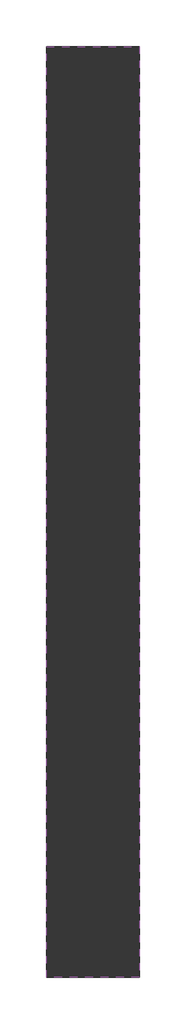
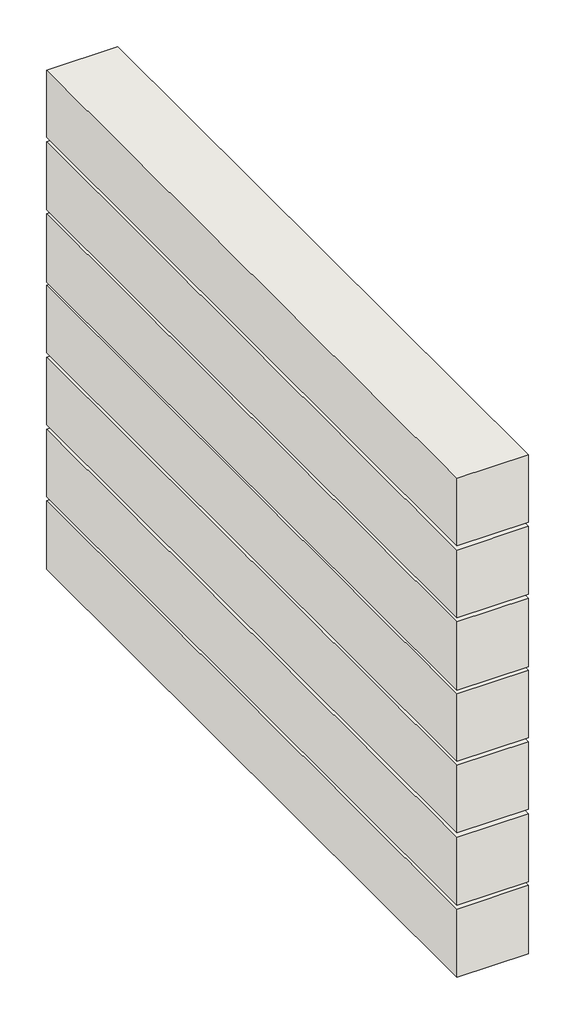
# One storey: 7 walls.
"""IFC4 building model written with IfcOpenShell, lengths in millimetres."""

import ifcopenshell
import ifcopenshell.guid

model = None  # the IFC model being written
_history = None  # IfcOwnerHistory: only IFC2X3 demands one
_inside = {}  # id of a spatial element -> (the spatial element, [elements in it])
_under = {}  # id of a project, library or spatial element -> (it, [spatial elements below it])
_declared = {}  # id of a project -> (the project, [libraries it declares])
_typed = {}  # id of a type object -> (the type object, [elements of that type])
_made_of = {}  # id of a material, layer set ... -> (it, [elements and type objects made of it])


def new_model(schema):
    """Start an empty IFC model of exactly this schema.

    Asked for "IFC4X3", IfcOpenShell would pick the latest addendum, in which some entities
    have other attributes; the version numbers below select the first issue.
    IFC2X3 requires an IfcOwnerHistory on every rooted entity: one is made here for all.
    """
    global model, _history
    if schema == "IFC4X3":
        model = ifcopenshell.file(schema_version=(4, 3, 0, 0))
    else:
        model = ifcopenshell.file(schema=schema)
    _inside.clear()
    _under.clear()
    _declared.clear()
    _typed.clear()
    _made_of.clear()
    _history = None
    if model.schema == "IFC2X3":
        org = make("IfcOrganization", Name="unknown")
        user = make(
            "IfcPersonAndOrganization",
            ThePerson=make("IfcPerson", FamilyName="unknown"),
            TheOrganization=org,
        )
        app = make(
            "IfcApplication",
            ApplicationDeveloper=org,
            Version="unknown",
            ApplicationFullName="unknown",
            ApplicationIdentifier="unknown",
        )
        _history = make(
            "IfcOwnerHistory",
            OwningUser=user,
            OwningApplication=app,
            ChangeAction="ADDED",
            CreationDate=0,
        )
    return model


def make(cls, **values):
    """One entity of the class cls with the attributes given. An attribute that is None is left unset."""
    return model.create_entity(
        cls, **{name: value for name, value in values.items() if value is not None}
    )


def rooted(cls, **values):
    """An entity with a GlobalId (a new one), such as an element, a storey or a relation."""
    return make(cls, GlobalId=ifcopenshell.guid.new(), OwnerHistory=_history, **values)


def si_unit(unit_type, name, prefix=None):
    """IfcSIUnit, for example si_unit("LENGTHUNIT", "METRE", prefix="MILLI")."""
    return make("IfcSIUnit", UnitType=unit_type, Prefix=prefix, Name=name)


def assignment(units):
    """IfcUnitAssignment: the units of a project."""
    return None if units is None else make("IfcUnitAssignment", Units=units)


def point(xyz):
    """IfcCartesianPoint."""
    return None if xyz is None else make("IfcCartesianPoint", Coordinates=xyz)


def direction(xyz):
    """IfcDirection."""
    return None if xyz is None else make("IfcDirection", DirectionRatios=xyz)


def frame(location, z_axis=None, x_axis=None):
    """IfcAxis2Placement3D, a coordinate frame: its origin and axes. An axis left out is left unset."""
    return make(
        "IfcAxis2Placement3D",
        Location=point(location),
        Axis=direction(z_axis),
        RefDirection=direction(x_axis),
    )


def origin():
    """The frame at (0, 0, 0) with its axes left unset."""
    return frame((0.0, 0.0, 0.0))


def place(relative_to, where):
    """IfcLocalPlacement: puts the frame where relative to a parent placement (None: the world)."""
    return make(
        "IfcLocalPlacement", PlacementRelTo=relative_to, RelativePlacement=where
    )


def context(
    kind, dimensions, precision=None, world=None, true_north=None, identifier=None
):
    """IfcGeometricRepresentationContext, for example the 3D "Model" context."""
    return make(
        "IfcGeometricRepresentationContext",
        ContextIdentifier=identifier,
        ContextType=kind,
        CoordinateSpaceDimension=dimensions,
        Precision=precision,
        WorldCoordinateSystem=world,
        TrueNorth=true_north,
    )


def project(units=None, contexts=None):
    """IfcProject with its units and contexts."""
    return rooted(
        "IfcProject",
        Name="project",
        RepresentationContexts=contexts,
        UnitsInContext=assignment(units),
    )


def spatial(cls, under=None, at=None, **own):
    """A site, building, storey or space (cls), placed at a placement, below another one or the project."""
    s = rooted(cls, ObjectPlacement=at, **own)
    if under is not None:
        _under.setdefault(under.id(), (under, []))[1].append(s)
    return s


def polyline(points):
    """IfcPolyline through the points."""
    return make("IfcPolyline", Points=[point(p) for p in points])


def outline(outer, holes=None, kind="AREA"):
    """IfcArbitraryClosedProfileDef: a profile drawn as a closed curve; with holes, ...WithVoids."""
    if holes is None:
        return make("IfcArbitraryClosedProfileDef", ProfileType=kind, OuterCurve=outer)
    return make(
        "IfcArbitraryProfileDefWithVoids",
        ProfileType=kind,
        OuterCurve=outer,
        InnerCurves=holes,
    )


def extrude(swept, where, along, depth):
    """IfcExtrudedAreaSolid: the profile swept, set in the frame where, extruded along a direction by depth."""
    return make(
        "IfcExtrudedAreaSolid",
        SweptArea=swept,
        Position=where,
        ExtrudedDirection=direction(along),
        Depth=depth,
    )


def shape(context_of_items, identifier, shape_type, items):
    """IfcShapeRepresentation: the items that make up one representation, for example the "Body"."""
    return make(
        "IfcShapeRepresentation",
        ContextOfItems=context_of_items,
        RepresentationIdentifier=identifier,
        RepresentationType=shape_type,
        Items=items,
    )


def made_of(thing, what):
    """Note that an element or type object is made of a material, layer set ...; save() writes the relation."""
    if what is not None:
        _made_of.setdefault(what.id(), (what, []))[1].append(thing)
    return thing


def element(
    cls,
    number,
    at=None,
    inside=None,
    cuts=None,
    type_object=None,
    material=None,
    context=None,
    identifier="Body",
    shape_type=None,
    held_by="IfcProductDefinitionShape",
    body=None,
    shapes=None,
    **own,
):
    """One element of the class cls, such as IfcWall. Its Tag is "e" and its number.

    at: its placement. inside: the storey or other place that contains it. cuts: it is an
    opening in that element (IfcRelVoidsElement). A single representation is given by context,
    identifier, shape_type and body (its items); several are given by shapes. held_by: the class
    of the entity that holds the representations. save() writes the other relations.
    """
    e = rooted(cls, Tag="e%d" % number, ObjectPlacement=at, **own)
    if body is not None:
        shapes = [shape(context, identifier, shape_type, body)]
    if shapes is not None:
        e.Representation = make(held_by, Representations=shapes)
    if inside is not None:
        _inside.setdefault(inside.id(), (inside, []))[1].append(e)
    if cuts is not None:
        rooted(
            "IfcRelVoidsElement", RelatingBuildingElement=cuts, RelatedOpeningElement=e
        )
    if type_object is not None:
        _typed.setdefault(type_object.id(), (type_object, []))[1].append(e)
    return made_of(e, material)


def aggregate(whole, parts):
    """IfcRelAggregates: a whole, such as a stair, and the parts it consists of."""
    return rooted("IfcRelAggregates", RelatingObject=whole, RelatedObjects=parts)


def save(model, path):
    """Write the relations noted so far, then the file.

    IfcRelAggregates (storeys below a building ...), IfcRelContainedInSpatialStructure (elements
    in a storey), IfcRelDefinesByType, IfcRelAssociatesMaterial and IfcRelDeclares: one each for
    every whole, place, type object, material and project.
    """
    for whole, parts in _under.values():
        aggregate(whole, parts)
    for where, things in _inside.values():
        rooted(
            "IfcRelContainedInSpatialStructure",
            RelatedElements=things,
            RelatingStructure=where,
        )
    for kind, things in _typed.values():
        rooted("IfcRelDefinesByType", RelatedObjects=things, RelatingType=kind)
    for what, things in _made_of.values():
        rooted("IfcRelAssociatesMaterial", RelatedObjects=things, RelatingMaterial=what)
    for by, libraries in _declared.values():
        rooted("IfcRelDeclares", RelatingContext=by, RelatedDefinitions=libraries)
    model.write(path)


model = new_model("IFC4")

# Units and contexts
model_context = context("Model", 3, world=origin())
ifc_project = project(units=[si_unit("LENGTHUNIT", "METRE", prefix="MILLI")], contexts=[model_context])

# Site, building, storey
site = spatial("IfcSite", under=ifc_project)
building = spatial("IfcBuilding", under=site)
storey = spatial("IfcBuildingStorey", under=building, Elevation=-300.0)

# Walls
placement = place(None, origin())
element("IfcWall", 1, at=placement, inside=storey, context=model_context, shape_type="SweptSolid", body=[
    extrude(outline(polyline([(-16698.7183143, -2712.3496955), (-16698.7183143, -5712.3496955), (-16998.7183143, -5712.3496955), (-16998.7183143, -2712.3496955), (-16698.7183143, -2712.3496955)])), frame((0.0, 0.0, 2579.8523738), z_axis=(0.0, 0.0, 1.0), x_axis=(1.0, 0.0, 0.0)), (0.0, 0.0, 1.0), 300.1476262),
])
element("IfcWall", 2, at=placement, inside=storey, context=model_context, shape_type="SweptSolid", body=[
    extrude(outline(polyline([(-16698.7183143, -2712.3496955), (-16698.7183143, -5712.3496955), (-16998.7183143, -5712.3496955), (-16998.7183143, -2712.3496955), (-16698.7183143, -2712.3496955)])), frame((0.0, 0.0, 2257.4168286), z_axis=(0.0, 0.0, 1.0), x_axis=(1.0, 0.0, 0.0)), (0.0, 0.0, 1.0), 302.5831714),
])
element("IfcWall", 3, at=placement, inside=storey, context=model_context, shape_type="SweptSolid", body=[
    extrude(outline(polyline([(-16698.7183143, -2712.3496955), (-16698.7183143, -5712.3496955), (-16998.7183143, -5712.3496955), (-16998.7183143, -2712.3496955), (-16698.7183143, -2712.3496955)])), frame((0.0, 0.0, 1934.94797), z_axis=(0.0, 0.0, 1.0), x_axis=(1.0, 0.0, 0.0)), (0.0, 0.0, 1.0), 305.05203),
])
element("IfcWall", 4, at=placement, inside=storey, context=model_context, shape_type="SweptSolid", body=[
    extrude(outline(polyline([(-16698.7183143, -2712.3496955), (-16698.7183143, -5712.3496955), (-16998.7183143, -5712.3496955), (-16998.7183143, -2712.3496955), (-16698.7183143, -2712.3496955)])), frame((0.0, 0.0, 1619.3493426), z_axis=(0.0, 0.0, 1.0), x_axis=(1.0, 0.0, 0.0)), (0.0, 0.0, 1.0), 300.6506574),
])
element("IfcWall", 5, at=placement, inside=storey, context=model_context, shape_type="SweptSolid", body=[
    extrude(outline(polyline([(-16698.7183143, -2712.3496955), (-16698.7183143, -5712.3496955), (-16998.7183143, -5712.3496955), (-16998.7183143, -2712.3496955), (-16698.7183143, -2712.3496955)])), frame((0.0, 0.0, 1299.8523738), z_axis=(0.0, 0.0, 1.0), x_axis=(1.0, 0.0, 0.0)), (0.0, 0.0, 1.0), 300.1476262),
])
element("IfcWall", 6, at=placement, inside=storey, context=model_context, shape_type="SweptSolid", body=[
    extrude(outline(polyline([(-16698.7183143, -2712.3496955), (-16698.7183143, -5712.3496955), (-16998.7183143, -5712.3496955), (-16998.7183143, -2712.3496955), (-16698.7183143, -2712.3496955)])), frame((0.0, 0.0, 977.4168286), z_axis=(0.0, 0.0, 1.0), x_axis=(1.0, 0.0, 0.0)), (0.0, 0.0, 1.0), 302.5831714),
])
element("IfcWall", 7, at=placement, inside=storey, context=model_context, shape_type="SweptSolid", body=[
    extrude(outline(polyline([(-16698.7183143, -2712.3496955), (-16698.7183143, -5712.3496955), (-16998.7183143, -5712.3496955), (-16998.7183143, -2712.3496955), (-16698.7183143, -2712.3496955)])), frame((0.0, 0.0, 654.94797), z_axis=(0.0, 0.0, 1.0), x_axis=(1.0, 0.0, 0.0)), (0.0, 0.0, 1.0), 305.05203),
])

save(model, "model.ifc")
